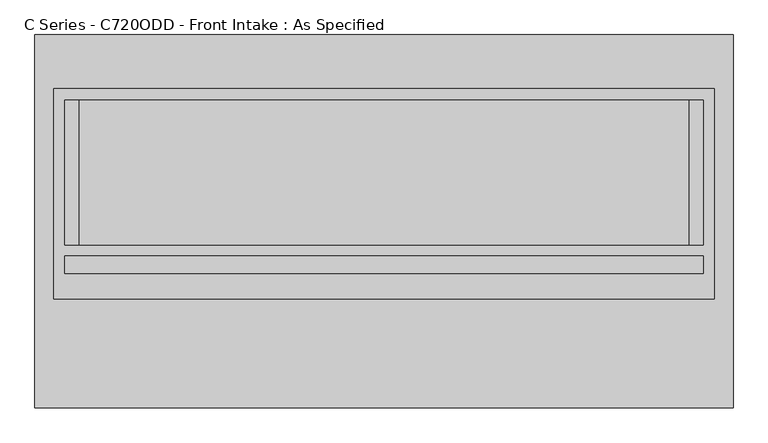
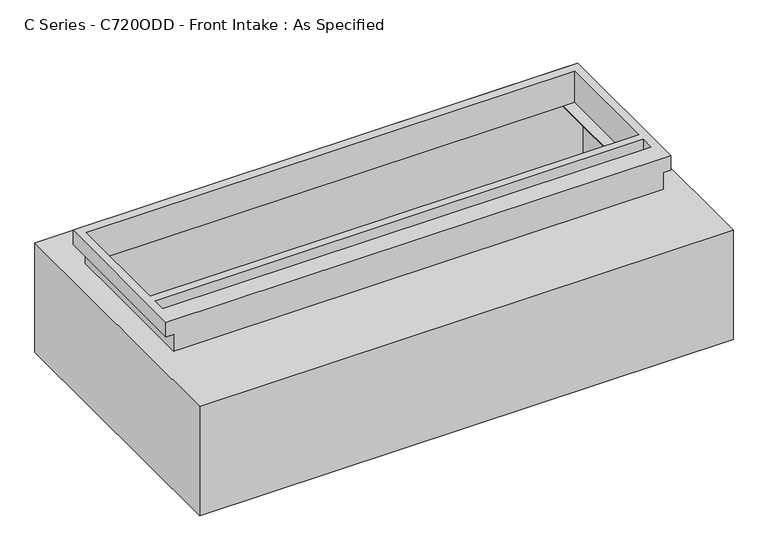
"""IFC4 building model written with IfcOpenShell, lengths in millimetres: proxy geometry, C Series - C720ODD - Front Intake : As Specified."""

from ifc_helpers import new_model, si_unit, frame, origin, place, context, project, spatial, polyline, circle_curve, faceted_brep, source, transform, mapped, element, save
from ifc_brep_helpers import plane_surface, revolved_surface, advanced_brep


def c_series_c720odd_front_intake_as_specified_51370280(model_context):
    return source(origin(), model_context, "Body", "SolidModel", [
        advanced_brep(
        [(1221.58125, 653.3058594, -530.3242188), (1221.58125, -653.3058594, -530.3242188), (-1221.58125, -653.3058594, -530.3242188), (-1221.58125, 653.3058594, -530.3242188), (1221.58125, 653.3058594, 0.0), (-1221.58125, 653.3058594, 0.0), (-1221.58125, -653.3058594, 0.0), (1221.58125, -653.3058594, 0.0), (1066.8, 424.6066406, 0.0), (1066.8, -83.3933594, 0.0), (-1066.8, -83.3933594, 0.0), (-1066.8, 424.6066406, 0.0), (1221.58125, -272.3058594, -430.3117188), (1221.58125, -294.5308594, -430.3117188), (1221.58125, -170.7058594, -430.3117188), (1221.58125, -192.9308594, -430.3117188), (1221.58125, -272.3058594, -100.1117188), (1221.58125, -294.5308594, -100.1117188), (1221.58125, -170.7058594, -100.1117188), (1221.58125, -192.9308594, -100.1117188), (1155.7, 424.6066406, -527.05), (-1155.7, 424.6066406, -527.05), (-1155.7, -83.3933594, -527.05), (1155.7, -83.3933594, -527.05), (1155.7, 424.6066406, -3.175), (1155.7, -83.3933594, -3.175), (1066.8, -83.3933594, -3.175), (1066.8, 424.6066406, -3.175), (-1155.7, -83.3933594, -3.175), (-1155.7, 424.6066406, -3.175), (-1066.8, 424.6066406, -3.175), (-1066.8, -83.3933594, -3.175), (1205.728271, -294.5308594, -430.3117188), (1205.728271, -272.3058594, -430.3117188), (1205.728271, -192.9308594, -430.3117188), (1205.728271, -170.7058594, -430.3117188), (1205.728271, -294.5308594, -100.1117188), (1205.728271, -272.3058594, -100.1117188), (1205.728271, -192.9308594, -100.1117188), (1205.728271, -170.7058594, -100.1117188)],
        [
            (0, 1),
            (1, 2),
            (2, 3),
            (3, 0),
            (4, 5),
            (5, 6),
            (6, 7),
            (7, 4),
            (8, 9),
            (9, 10),
            (10, 11),
            (11, 8),
            (3, 5),
            (4, 0),
            (2, 6),
            (1, 7),
            (12, 13, circle_curve(frame((1221.58125, -283.4183594, -430.3117188), z_axis=(-1.0, 0.0, 0.0), x_axis=(0.0, 1.0, 0.0)), 11.1125)),
            (13, 12, circle_curve(frame((1221.58125, -283.4183594, -430.3117188), z_axis=(-1.0, 0.0, 0.0), x_axis=(0.0, 1.0, 0.0)), 11.1125)),
            (14, 15, circle_curve(frame((1221.58125, -181.8183594, -430.3117188), z_axis=(-1.0, 0.0, 0.0), x_axis=(0.0, 1.0, 0.0)), 11.1125)),
            (15, 14, circle_curve(frame((1221.58125, -181.8183594, -430.3117188), z_axis=(-1.0, 0.0, 0.0), x_axis=(0.0, 1.0, 0.0)), 11.1125)),
            (16, 17, circle_curve(frame((1221.58125, -283.4183594, -100.1117188), z_axis=(-1.0, 0.0, 0.0), x_axis=(0.0, 1.0, 0.0)), 11.1125)),
            (17, 16, circle_curve(frame((1221.58125, -283.4183594, -100.1117188), z_axis=(-1.0, 0.0, 0.0), x_axis=(0.0, 1.0, 0.0)), 11.1125)),
            (18, 19, circle_curve(frame((1221.58125, -181.8183594, -100.1117188), z_axis=(-1.0, 0.0, 0.0), x_axis=(0.0, 1.0, 0.0)), 11.1125)),
            (19, 18, circle_curve(frame((1221.58125, -181.8183594, -100.1117188), z_axis=(-1.0, 0.0, 0.0), x_axis=(0.0, 1.0, 0.0)), 11.1125)),
            (20, 21),
            (21, 22),
            (22, 23),
            (23, 20),
            (24, 25),
            (25, 26),
            (26, 27),
            (27, 24),
            (28, 29),
            (29, 30),
            (30, 31),
            (31, 28),
            (23, 25),
            (24, 20),
            (22, 28),
            (31, 10),
            (9, 26),
            (21, 29),
            (27, 8),
            (11, 30),
            (32, 33, circle_curve(frame((1205.728271, -283.4183594, -430.3117188), z_axis=(1.0, 0.0, 0.0), x_axis=(0.0, 1.0, 0.0)), 11.1125)),
            (33, 32, circle_curve(frame((1205.728271, -283.4183594, -430.3117188), z_axis=(1.0, 0.0, 0.0), x_axis=(0.0, 1.0, 0.0)), 11.1125)),
            (34, 35, circle_curve(frame((1205.728271, -181.8183594, -430.3117188), z_axis=(1.0, 0.0, 0.0), x_axis=(0.0, 1.0, 0.0)), 11.1125)),
            (35, 34, circle_curve(frame((1205.728271, -181.8183594, -430.3117188), z_axis=(1.0, 0.0, 0.0), x_axis=(0.0, 1.0, 0.0)), 11.1125)),
            (36, 37, circle_curve(frame((1205.728271, -283.4183594, -100.1117188), z_axis=(1.0, 0.0, 0.0), x_axis=(0.0, 1.0, 0.0)), 11.1125)),
            (37, 36, circle_curve(frame((1205.728271, -283.4183594, -100.1117188), z_axis=(1.0, 0.0, 0.0), x_axis=(0.0, 1.0, 0.0)), 11.1125)),
            (38, 39, circle_curve(frame((1205.728271, -181.8183594, -100.1117188), z_axis=(1.0, 0.0, 0.0), x_axis=(0.0, 1.0, 0.0)), 11.1125)),
            (39, 38, circle_curve(frame((1205.728271, -181.8183594, -100.1117188), z_axis=(1.0, 0.0, 0.0), x_axis=(0.0, 1.0, 0.0)), 11.1125)),
            (32, 13),
            (12, 33),
            (34, 15),
            (14, 35),
            (36, 17),
            (16, 37),
            (38, 19),
            (18, 39),
        ],
        [
            plane_surface(frame((-1221.58125, 653.3058594, -530.3242188), z_axis=(0.0, 0.0, -1.0), x_axis=(1.0, 0.0, 0.0))),
            plane_surface(frame((-1221.58125, 653.3058594, 0.0), z_axis=(0.0, 0.0, 1.0), x_axis=(-1.0, 0.0, 0.0))),
            plane_surface(frame((1221.58125, 653.3058594, 0.0), z_axis=(0.0, 1.0, 0.0), x_axis=(0.0, 0.0, -1.0))),
            plane_surface(frame((-1221.58125, 653.3058594, 0.0), z_axis=(-1.0, 0.0, 0.0), x_axis=(0.0, 0.0, -1.0))),
            plane_surface(frame((-1221.58125, -653.3058594, 0.0), z_axis=(0.0, -1.0, 0.0), x_axis=(0.0, 0.0, -1.0))),
            plane_surface(frame((1221.58125, -653.3058594, 0.0), z_axis=(1.0, 0.0, 0.0), x_axis=(0.0, 0.0, -1.0))),
            plane_surface(frame((1155.7, 424.6066406, -527.05), z_axis=(0.0, 0.0, 1.0), x_axis=(0.0, -1.0, 0.0))),
            plane_surface(frame((1155.7, 424.6066406, -3.175), z_axis=(0.0, 0.0, -1.0), x_axis=(0.0, 1.0, 0.0))),
            plane_surface(frame((1155.7, 424.6066406, -527.05), z_axis=(-1.0, 0.0, 0.0), x_axis=(0.0, 0.0, 1.0))),
            plane_surface(frame((1155.7, -83.3933594, -527.05), z_axis=(0.0, 1.0, 0.0), x_axis=(0.0, 0.0, 1.0))),
            plane_surface(frame((-1155.7, -83.3933594, -527.05), z_axis=(1.0, 0.0, 0.0), x_axis=(0.0, 0.0, 1.0))),
            plane_surface(frame((-1155.7, 424.6066406, -527.05), z_axis=(0.0, -1.0, 0.0), x_axis=(0.0, 0.0, 1.0))),
            plane_surface(frame((1066.8, 424.6066406, -25.4), z_axis=(-1.0, 0.0, 0.0), x_axis=(0.0, 0.0, 1.0))),
            plane_surface(frame((-1066.8, -83.3933594, -25.4), z_axis=(1.0, 0.0, 0.0), x_axis=(0.0, 0.0, 1.0))),
            plane_surface(frame((1205.728271, -272.3058594, -430.3117188), z_axis=(1.0, 0.0, 0.0), x_axis=(0.0, 0.0, -1.0))),
            revolved_surface(polyline([(1221.58125, -272.3058594, -430.3117188), (1205.728271, -272.3058594, -430.3117188)]), (1205.728271, -283.4183594, -430.3117188), (1.0, 0.0, 0.0)),
            revolved_surface(polyline([(1221.58125, -170.70585939999998, -430.3117188), (1205.728271, -170.70585939999998, -430.3117188)]), (0.0, -181.8183594, -430.3117188), (1.0, 0.0, 0.0)),
            revolved_surface(polyline([(1221.58125, -272.3058594, -100.1117188), (1205.728271, -272.3058594, -100.1117188)]), (0.0, -283.4183594, -100.1117188), (1.0, 0.0, 0.0)),
            revolved_surface(polyline([(1221.58125, -170.70585939999998, -100.1117188), (1205.728271, -170.70585939999998, -100.1117188)]), (0.0, -181.8183594, -100.1117188), (1.0, 0.0, 0.0)),
        ],
        [
            (0, [[1, 2, 3, 4]]),
            (1, [[5, 6, 7, 8], [9, 10, 11, 12]]),
            (2, [[-4, 13, -5, 14]]),
            (3, [[-3, 15, -6, -13]]),
            (4, [[-2, 16, -7, -15]]),
            (5, [[-1, -14, -8, -16], [17, 18], [19, 20], [21, 22], [23, 24]]),
            (6, [[25, 26, 27, 28]]),
            (7, [[29, 30, 31, 32]]),
            (7, [[33, 34, 35, 36]]),
            (8, [[-28, 37, -29, 38]]),
            (9, [[-27, 39, -36, 40, -10, 41, -30, -37]]),
            (10, [[-26, 42, -33, -39]]),
            (11, [[-25, -38, -32, 43, -12, 44, -34, -42]]),
            (12, [[-43, -31, -41, -9]]),
            (13, [[-40, -35, -44, -11]]),
            (14, [[45, 46]]),
            (14, [[47, 48]]),
            (14, [[49, 50]]),
            (14, [[51, 52]]),
            (15, [[-45, 53, -17, 54]]),
            (15, [[-46, -54, -18, -53]]),
            (16, [[-47, 55, -19, 56]]),
            (16, [[-48, -56, -20, -55]]),
            (17, [[-49, 57, -21, 58]]),
            (17, [[-50, -58, -22, -57]]),
            (18, [[-51, 59, -23, 60]]),
            (18, [[-52, -60, -24, -59]]),
        ],
    ),
        faceted_brep([(1155.7, 464.2941406, 152.4), (-1155.7, 464.2941406, 152.4), (-1155.7, -272.3058594, 152.4), (1155.7, -272.3058594, 152.4), (1117.6, 424.6066406, 152.4), (1117.6, -83.3933594, 152.4), (-1117.6, -83.3933594, 152.4), (-1117.6, 424.6066406, 152.4), (1117.6, -121.4933594, 152.4), (1117.6, -181.8183594, 152.4), (-1117.6, -181.8183594, 152.4), (-1117.6, -121.4933594, 152.4), (1120.775, -272.3058594, 0.0), (-1120.775, -272.3058594, 0.0), (-1120.775, 429.3691406, 0.0), (1120.775, 429.3691406, 0.0), (1117.6, -83.3933594, 0.0), (1117.6, 424.6066406, 0.0), (-1117.6, 424.6066406, 0.0), (-1117.6, -83.3933594, 0.0), (1155.7, 464.2941406, 82.55), (-1155.7, 464.2941406, 82.55), (-1155.7, -272.3058594, 82.55), (-1120.775, -272.3058594, 82.55), (1120.775, -272.3058594, 82.55), (1155.7, -272.3058594, 82.55), (1120.775, 429.3691406, 82.55), (-1120.775, 429.3691406, 82.55), (1117.6, -121.4933594, 82.55), (-1117.6, -121.4933594, 82.55), (-1117.6, -181.8183594, 82.55), (1117.6, -181.8183594, 82.55)], [[[0, 1, 2, 3], [4, 5, 6, 7], [8, 9, 10, 11]], [[12, 13, 14, 15], [16, 17, 18, 19]], [[1, 0, 20, 21]], [[2, 1, 21, 22]], [[3, 2, 22, 23, 13, 12, 24, 25]], [[0, 3, 25, 20]], [[24, 26, 27, 23, 22, 21, 20, 25]], [[26, 24, 12, 15]], [[27, 26, 15, 14]], [[23, 27, 14, 13]], [[16, 5, 4, 17]], [[5, 16, 19, 6]], [[6, 19, 18, 7]], [[17, 4, 7, 18]], [[28, 29, 30, 31]], [[28, 31, 9, 8]], [[31, 30, 10, 9]], [[30, 29, 11, 10]], [[29, 28, 8, 11]]]),
    ])


if __name__ == "__main__":
    model = new_model("IFC4")
    model_context = context("Model", 3, world=origin())
    ifc_project = project(units=[si_unit("LENGTHUNIT", "METRE", prefix="MILLI")], contexts=[model_context])
    site = spatial("IfcSite", under=ifc_project)
    building = spatial("IfcBuilding", under=site)
    placement = place(None, origin())
    c_series_c720odd_front_intake_as_specified_shape = c_series_c720odd_front_intake_as_specified_51370280(model_context)
    element("IfcBuildingElementProxy", 1, Name="C Series - C720ODD - Front Intake : As Specified", ObjectType="C Series - C720ODD - Front Intake : As Specified", at=placement, inside=building, context=model_context, shape_type="MappedRepresentation", body=[
        mapped(c_series_c720odd_front_intake_as_specified_shape, transform((0.0, 0.0, 0.0), x_axis=(1.0, 0.0, 0.0), y_axis=(0.0, 1.0, 0.0), z_axis=(0.0, 0.0, 1.0))),
    ])
    save(model, "model.ifc")
